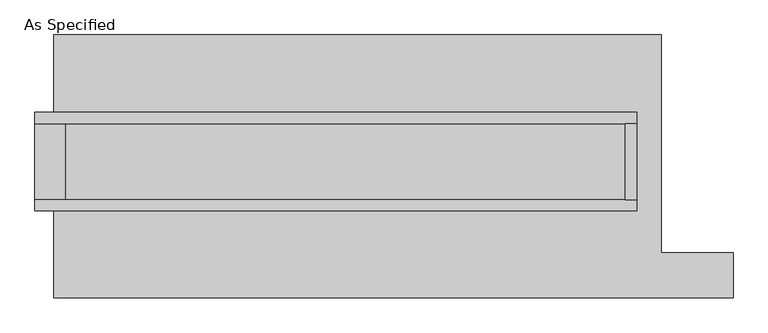
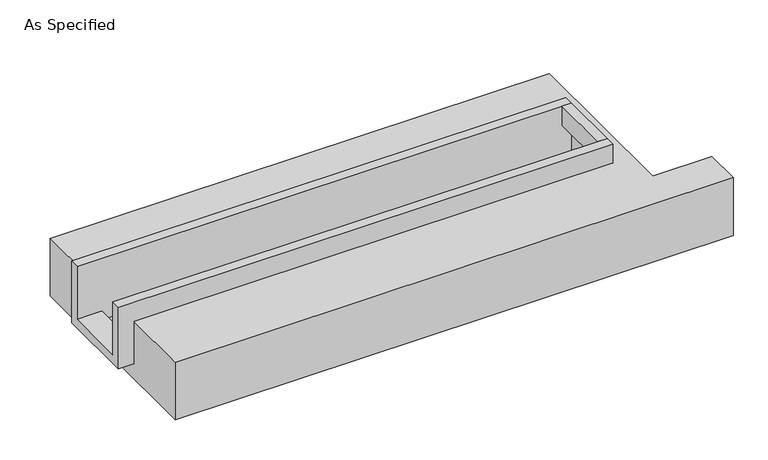
"""IFC4 building model written with IfcOpenShell, lengths in millimetres: proxy geometry, As Specified."""

from ifc_helpers import new_model, si_unit, frame, origin, place, context, project, spatial, polyline, outline, extrude, faceted_brep, source, transform, mapped, element, save


def as_specified_c7cb9593(model_context):
    return source(origin(), model_context, "Body", "SolidModel", [
        extrude(outline(polyline([(1797.05, 285.75), (1873.25, 285.75), (1873.25, -222.25), (1797.05, -222.25), (1797.05, 285.75)])), frame((0.0, 0.0, -25.4), z_axis=(0.0, 0.0, 1.0), x_axis=(1.0, 0.0, 0.0)), (0.0, 0.0, 1.0), 165.1),
        faceted_brep([(1873.25, 285.75, 139.7), (1873.25, 285.75, -317.5), (1873.25, -222.25, -317.5), (1873.25, -222.25, 139.7), (1873.25, -298.45, 139.7), (1873.25, -298.45, -393.7), (1873.25, 361.95, -393.7), (1873.25, 361.95, 139.7), (-2165.35, 285.75, 139.7), (-2165.35, 361.95, 139.7), (-2165.35, 361.95, -393.7), (-2165.35, -298.45, -393.7), (-2165.35, -298.45, 139.7), (-2165.35, -222.25, 139.7), (-2165.35, -222.25, -317.5), (-2165.35, 285.75, -317.5), (-1962.15, 285.75, -393.7), (-1962.15, -222.25, -393.7), (1797.05, -222.25, -393.7), (1797.05, 285.75, -393.7), (1797.05, -222.25, -317.5), (-1962.15, -222.25, -317.5), (1797.05, 285.75, -317.5), (-1962.15, 285.75, -317.5)], [[[0, 1, 2, 3, 4, 5, 6, 7]], [[8, 9, 10, 11, 12, 13, 14, 15]], [[0, 7, 9, 8]], [[7, 6, 10, 9]], [[6, 5, 11, 10], [16, 17, 18, 19]], [[4, 3, 13, 12]], [[3, 2, 20, 18, 17, 21, 14, 13]], [[2, 1, 22, 20]], [[15, 14, 21, 23]], [[1, 0, 8, 15, 23, 16, 19, 22]], [[21, 17, 16, 23]], [[18, 20, 22, 19]], [[5, 4, 12, 11]]]),
        faceted_brep([(-2038.35, 882.65, -523.9742188), (2038.35, 882.65, -523.9742188), (2038.35, -577.85, -523.9742188), (2520.95, -577.85, -523.9742188), (2520.95, -882.65, -523.9742188), (-2038.35, -882.65, -523.9742188), (2038.35, 882.65, -25.4), (-2038.35, 882.65, -25.4), (-2038.35, 361.95, -25.4), (1873.25, 361.95, -25.4), (1873.25, -298.45, -25.4), (-2038.35, -298.45, -25.4), (-2038.35, -882.65, -25.4), (2520.95, -882.65, -25.4), (2520.95, -577.85, -25.4), (2038.35, -577.85, -25.4), (-2038.35, -298.45, -393.7), (-2038.35, 361.95, -393.7), (1873.25, 361.95, -393.7), (1873.25, -298.45, -393.7)], [[[0, 1, 2, 3, 4, 5]], [[6, 7, 8, 9, 10, 11, 12, 13, 14, 15]], [[1, 0, 7, 6]], [[7, 0, 5, 12, 11, 16, 17, 8]], [[1, 6, 15, 2]], [[5, 4, 13, 12]], [[18, 19, 10, 9]], [[17, 18, 9, 8]], [[19, 18, 17, 16]], [[19, 16, 11, 10]], [[4, 3, 14, 13]], [[3, 2, 15, 14]]]),
    ])


if __name__ == "__main__":
    model = new_model("IFC4")
    model_context = context("Model", 3, world=origin())
    ifc_project = project(units=[si_unit("LENGTHUNIT", "METRE", prefix="MILLI")], contexts=[model_context])
    site = spatial("IfcSite", under=ifc_project)
    building = spatial("IfcBuilding", under=site)
    placement = place(None, origin())
    as_specified_shape = as_specified_c7cb9593(model_context)
    element("IfcBuildingElementProxy", 1, Name="As Specified", ObjectType="As Specified", at=placement, inside=building, context=model_context, shape_type="MappedRepresentation", body=[
        mapped(as_specified_shape, transform((0.0, 0.0, 0.0), x_axis=(1.0, 0.0, 0.0), y_axis=(0.0, 1.0, 0.0), z_axis=(0.0, 0.0, 1.0))),
    ])
    save(model, "model.ifc")
